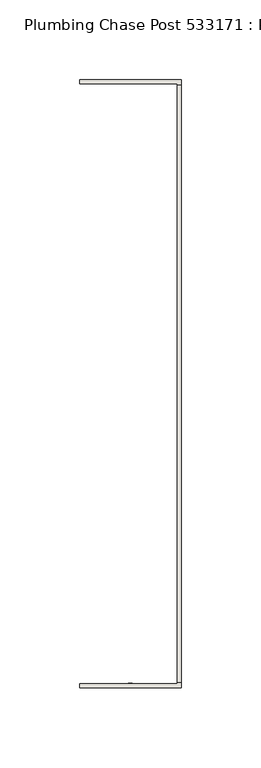
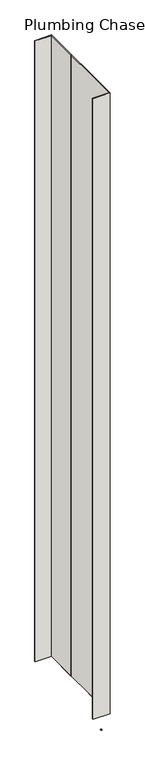
"""IFC4 building model written with IfcOpenShell, lengths in millimetres: wall geometry, Plumbing Chase Post 533171 : Plumbing Chase Post 533171."""

from ifc_helpers import new_model, si_unit, frame, origin, place, context, project, spatial, polyline, outline, extrude, source, transform, mapped, element, save


def plumbing_chase_post_533171_plumbing_chase_post_533171_ffead857(model_context):
    return source(origin(), model_context, "Body", "SweptSolid", [
        extrude(outline(polyline([(44102.7108038, -55523.5615968), (44102.7108038, -55521.0215968), (44105.2508038, -55521.0215968), (44105.2508038, -55523.5615968), (44102.7108038, -55523.5615968)])), frame((0.0, 0.0, 4419.6), z_axis=(0.0, 0.0, 1.0), x_axis=(1.0, 0.0, 0.0)), (0.0, 0.0, 1.0), 2.54),
        extrude(outline(polyline([(44135.9788602, -55145.2541492), (44135.9788602, -55520.8715336), (44133.3123428, -55520.8715336), (44133.3123428, -55145.2541492), (44135.9788602, -55145.2541492)])), frame((0.0, 0.0, 4474.8958), z_axis=(0.0, 0.0, 1.0), x_axis=(1.0, 0.0, 0.0)), (0.0, 0.0, 1.0), 2481.1482254),
        extrude(outline(polyline([(44135.9788602, -55145.2541492), (44135.9788602, -55520.8715336), (44133.3123428, -55520.8715336), (44133.3123428, -55145.2541492), (44135.9788602, -55145.2541492)])), frame((0.0, 0.0, 4474.8958), z_axis=(0.0, 0.0, 1.0), x_axis=(1.0, 0.0, 0.0)), (0.0, 0.0, 1.0), 2481.1482254),
        extrude(outline(polyline([(44135.9788602, -55141.8001048), (44135.9788602, -55275.1501048), (44133.3123428, -55275.1501048), (44133.3123428, -55144.4665968), (44071.9703522, -55144.4665968), (44071.9703522, -55141.8001048), (44135.9788602, -55141.8001048)])), frame((0.0, 0.0, 4474.8958), z_axis=(0.0, 0.0, 1.0), x_axis=(1.0, 0.0, 0.0)), (0.0, 0.0, 1.0), 2481.1482254),
        extrude(outline(polyline([(44135.9788602, -55141.8001048), (44135.9788602, -55275.1501048), (44133.3123428, -55275.1501048), (44133.3123428, -55144.4665968), (44071.9703522, -55144.4665968), (44071.9703522, -55141.8001048), (44135.9788602, -55141.8001048)])), frame((0.0, 0.0, 4474.8958), z_axis=(0.0, 0.0, 1.0), x_axis=(1.0, 0.0, 0.0)), (0.0, 0.0, 1.0), 2481.1482254),
        extrude(outline(polyline([(44133.3123428, -55390.975578), (44135.9788602, -55390.975578), (44135.9788602, -55524.325578), (44071.9703522, -55524.325578), (44071.9703522, -55521.659086), (44133.3123428, -55521.659086), (44133.3123428, -55390.975578)])), frame((0.0, 0.0, 4474.8958), z_axis=(0.0, 0.0, 1.0), x_axis=(1.0, 0.0, 0.0)), (0.0, 0.0, 1.0), 2481.1482254),
        extrude(outline(polyline([(44133.3123428, -55390.975578), (44135.9788602, -55390.975578), (44135.9788602, -55524.325578), (44071.9703522, -55524.325578), (44071.9703522, -55521.659086), (44133.3123428, -55521.659086), (44133.3123428, -55390.975578)])), frame((0.0, 0.0, 4474.8958), z_axis=(0.0, 0.0, 1.0), x_axis=(1.0, 0.0, 0.0)), (0.0, 0.0, 1.0), 2481.1482254),
    ])


if __name__ == "__main__":
    model = new_model("IFC4")
    model_context = context("Model", 3, world=origin())
    ifc_project = project(units=[si_unit("LENGTHUNIT", "METRE", prefix="MILLI")], contexts=[model_context])
    site = spatial("IfcSite", under=ifc_project)
    building = spatial("IfcBuilding", under=site)
    placement = place(None, origin())
    plumbing_chase_post_533171_plumbing_chase_post_533171_shape = plumbing_chase_post_533171_plumbing_chase_post_533171_ffead857(model_context)
    element("IfcWall", 1, ObjectType="Plumbing Chase Post 533171 : Plumbing Chase Post 533171", at=placement, inside=building, context=model_context, shape_type="MappedRepresentation", body=[
        mapped(plumbing_chase_post_533171_plumbing_chase_post_533171_shape, transform((0.0, 0.0, 0.0), x_axis=(1.0, 0.0, 0.0), y_axis=(0.0, 1.0, 0.0), z_axis=(0.0, 0.0, 1.0))),
    ])
    save(model, "model.ifc")
